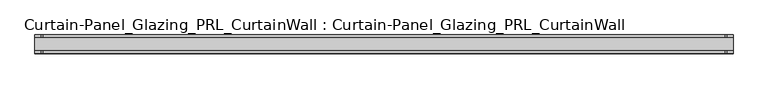
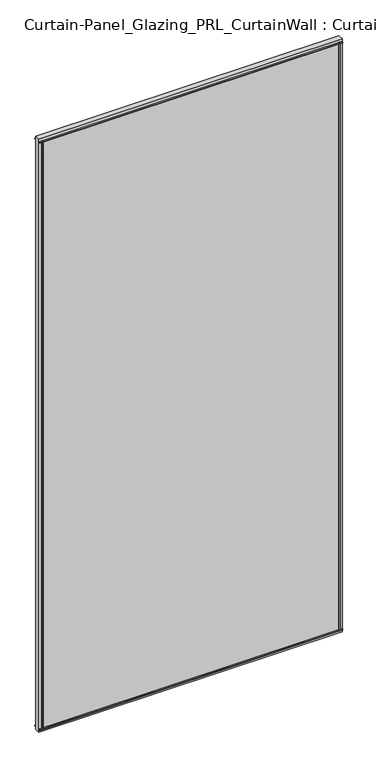
"""IFC4 building model written with IfcOpenShell, lengths in millimetres: plate geometry, Curtain-Panel_Glazing_PRL_CurtainWall : Curtain-Panel_Glazing_PRL_CurtainWall."""

from ifc_helpers import new_model, si_unit, frame, origin, origin_with_axes, place, context, project, spatial, polyline, outline, extrude, source, transform, mapped, element, save


def curtain_panel_glazing_prl_curtainwall_curtain_panel_glazing_306c7680(model_context):
    return source(origin(), model_context, "Body", "SweptSolid", [
        extrude(outline(polyline([(707.367436, -19.05), (703.398686, -19.05), (703.398686, -12.7), (707.367436, -12.7), (707.367436, -19.05)])), frame((0.0, 0.0, 12.7), z_axis=(0.0, 0.0, 1.0), x_axis=(1.0, 0.0, 0.0)), (0.0, 0.0, 1.0), 2946.4),
        extrude(outline(polyline([(707.367436, 19.05), (707.367436, 12.7), (703.398686, 12.7), (703.398686, 19.05), (707.367436, 19.05)])), frame((0.0, 0.0, 12.7), z_axis=(0.0, 0.0, 1.0), x_axis=(1.0, 0.0, 0.0)), (0.0, 0.0, 1.0), 2946.4),
        extrude(outline(polyline([(-707.367436, -19.05), (-707.367436, -12.7), (-703.398686, -12.7), (-703.398686, -19.05), (-707.367436, -19.05)])), frame((0.0, 0.0, 12.7), z_axis=(0.0, 0.0, 1.0), x_axis=(1.0, 0.0, 0.0)), (0.0, 0.0, 1.0), 2946.4),
        extrude(outline(polyline([(-707.367436, 19.05), (-703.398686, 19.05), (-703.398686, 12.7), (-707.367436, 12.7), (-707.367436, 19.05)])), frame((0.0, 0.0, 12.7), z_axis=(0.0, 0.0, 1.0), x_axis=(1.0, 0.0, 0.0)), (0.0, 0.0, 1.0), 2946.4),
        extrude(outline(polyline([(720.067436, 12.7), (720.067436, -12.7), (-720.067436, -12.7), (-720.067436, 12.7), (720.067436, 12.7)])), origin_with_axes(), (0.0, 0.0, 1.0), 2971.8),
        extrude(outline(polyline([(-720.067436, -19.05), (-720.067436, -12.7), (720.067436, -12.7), (720.067436, -19.05), (-720.067436, -19.05)])), frame((0.0, 0.0, 2955.13125), z_axis=(0.0, 0.0, 1.0), x_axis=(1.0, 0.0, 0.0)), (0.0, 0.0, 1.0), 3.96875),
        extrude(outline(polyline([(-720.067436, 19.05), (720.067436, 19.05), (720.067436, 12.7), (-720.067436, 12.7), (-720.067436, 19.05)])), frame((0.0, 0.0, 2955.13125), z_axis=(0.0, 0.0, 1.0), x_axis=(1.0, 0.0, 0.0)), (0.0, 0.0, 1.0), 3.96875),
        extrude(outline(polyline([(-720.067436, -19.05), (-720.067436, -12.7), (720.067436, -12.7), (720.067436, -19.05), (-720.067436, -19.05)])), frame((0.0, 0.0, 12.7), z_axis=(0.0, 0.0, 1.0), x_axis=(1.0, 0.0, 0.0)), (0.0, 0.0, 1.0), 3.96875),
        extrude(outline(polyline([(-720.067436, 19.05), (720.067436, 19.05), (720.067436, 12.7), (-720.067436, 12.7), (-720.067436, 19.05)])), frame((0.0, 0.0, 12.7), z_axis=(0.0, 0.0, 1.0), x_axis=(1.0, 0.0, 0.0)), (0.0, 0.0, 1.0), 3.96875),
    ])


if __name__ == "__main__":
    model = new_model("IFC4")
    model_context = context("Model", 3, world=origin())
    ifc_project = project(units=[si_unit("LENGTHUNIT", "METRE", prefix="MILLI")], contexts=[model_context])
    site = spatial("IfcSite", under=ifc_project)
    building = spatial("IfcBuilding", under=site)
    placement = place(None, origin())
    curtain_panel_glazing_prl_curtainwall_curtain_panel_glazing_shape = curtain_panel_glazing_prl_curtainwall_curtain_panel_glazing_306c7680(model_context)
    element("IfcPlate", 1, ObjectType="Curtain-Panel_Glazing_PRL_CurtainWall : Curtain-Panel_Glazing_PRL_CurtainWall", at=placement, inside=building, context=model_context, shape_type="MappedRepresentation", body=[
        mapped(curtain_panel_glazing_prl_curtainwall_curtain_panel_glazing_shape, transform((0.0, 0.0, 0.0), x_axis=(1.0, 0.0, 0.0), y_axis=(0.0, 1.0, 0.0), z_axis=(0.0, 0.0, 1.0))),
    ])
    save(model, "model.ifc")
